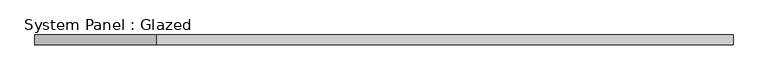
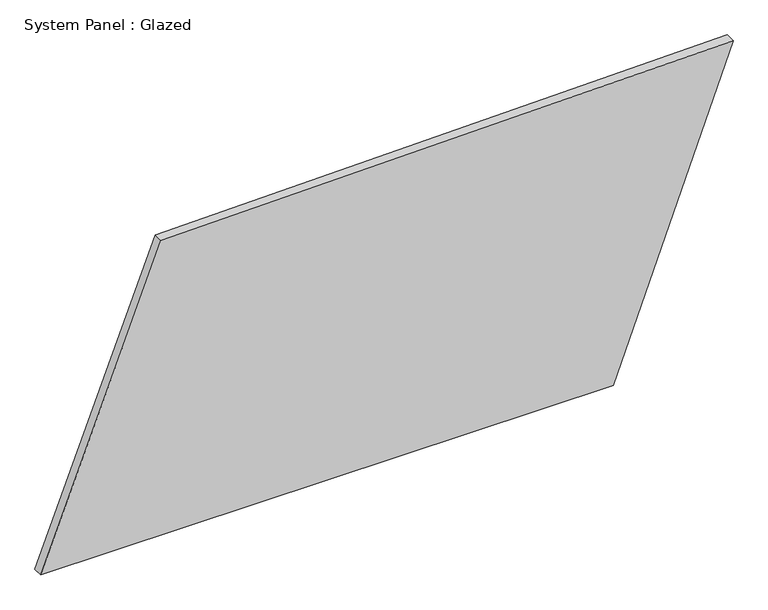
"""IFC4 building model written with IfcOpenShell, lengths in millimetres: plate geometry, System Panel : Glazed."""

from ifc_helpers import new_model, si_unit, frame, origin, place, context, project, spatial, polyline, outline, extrude, source, transform, mapped, element, save


def system_panel_glazed_edb48a54(model_context):
    return source(origin(), model_context, "Body", "SweptSolid", [
        extrude(outline(polyline([(0.0, -868.4017589), (0.0, 567.3105143), (810.0613682, 868.4017589), (781.3232711, -566.845518), (0.0, -868.4017589)])), frame((0.0, -49.5, 0.0), z_axis=(0.0, 1.0, 0.0), x_axis=(0.0, 0.0, 1.0)), (0.0, 0.0, 1.0), 25.0),
    ])


if __name__ == "__main__":
    model = new_model("IFC4")
    model_context = context("Model", 3, world=origin())
    ifc_project = project(units=[si_unit("LENGTHUNIT", "METRE", prefix="MILLI")], contexts=[model_context])
    site = spatial("IfcSite", under=ifc_project)
    building = spatial("IfcBuilding", under=site)
    placement = place(None, origin())
    system_panel_glazed_shape = system_panel_glazed_edb48a54(model_context)
    element("IfcPlate", 1, ObjectType="System Panel : Glazed", at=placement, inside=building, context=model_context, shape_type="MappedRepresentation", body=[
        mapped(system_panel_glazed_shape, transform((0.0, 0.0, 0.0), x_axis=(1.0, 0.0, 0.0), y_axis=(0.0, 1.0, 0.0), z_axis=(0.0, 0.0, 1.0))),
    ])
    save(model, "model.ifc")
